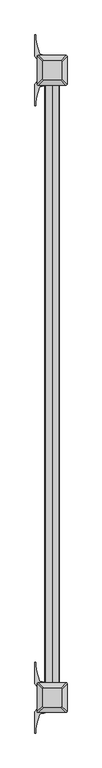
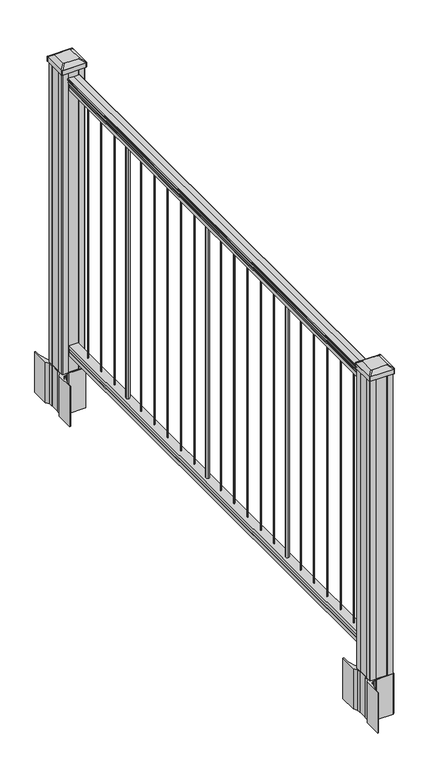
"""IFC4 building model written with IfcOpenShell, lengths in millimetres: railing geometry."""

from ifc_helpers import new_model, si_unit, point, frame, frame_2d, origin, origin_with_axes, place, context, project, spatial, polyline, circle_curve, trimmed, segment, composite_curve, outline, extrude, source, transform, mapped, element, save
from ifc_brep_helpers import plane_surface, extruded_surface, advanced_brep


def railing_1b7a378d(model_context):
    return source(origin(), model_context, "Body", "SolidModel", [
        extrude(outline(composite_curve([segment(polyline([(1090.8043297, 2185.0080205), (1092.692412, 2185.0080205)]), True, "CONTINUOUS"), segment(trimmed(circle_curve(frame_2d((1098.4506383, 2178.6932672)), 8.545951), [point((1092.692412, 2185.0080205))], [point((1094.2546695, 2186.1382068))], False, "CARTESIAN"), True, "CONTINUOUS"), segment(trimmed(circle_curve(frame_2d((1097.8636577, 2179.1303302)), 7.882584), [point((1094.2546695, 2186.1382068))], [point((1101.4726458, 2186.1382068))], False, "CARTESIAN"), True, "CONTINUOUS"), segment(trimmed(circle_curve(frame_2d((1103.7112527, 2189.6436543)), 4.1592695), [point((1101.4726458, 2186.1382068))], [point((1103.9060812, 2185.4889504))], True, "CARTESIAN"), True, "CONTINUOUS"), segment(trimmed(circle_curve(frame_2d((1103.6508864, 2190.9309609)), 5.4479907), [point((1103.9060812, 2185.4889504))], [point((1108.2362083, 2187.9889504))], True, "CARTESIAN"), True, "CONTINUOUS"), segment(trimmed(circle_curve(frame_2d((1108.233395, 2189.6978025)), 1.7088543), [point((1108.2362083, 2187.9889504))], [point((1109.9157972, 2189.3982929))], True, "CARTESIAN"), True, "CONTINUOUS"), segment(trimmed(circle_curve(frame_2d((1111.0205318, 2188.0809024)), 1.7192895), [point((1109.9157972, 2189.3982929))], [point((1111.0205318, 2189.8001919))], False, "CARTESIAN"), True, "CONTINUOUS"), segment(polyline([(1111.0205318, 2189.8001919), (1112.3608158, 2189.8001918)]), True, "CONTINUOUS"), segment(trimmed(circle_curve(frame_2d((1112.3608158, 2188.2467446)), 1.5534472), [point((1112.3608158, 2189.8001918))], [point((1113.914263, 2188.2467446))], False, "CARTESIAN"), True, "CONTINUOUS"), segment(polyline([(1113.914263, 2188.2467446), (1113.914263, 2167.5751918), (1113.914263, 2146.903639)]), True, "CONTINUOUS"), segment(trimmed(circle_curve(frame_2d((1112.3608158, 2146.903639)), 1.5534472), [point((1113.914263, 2146.903639))], [point((1112.3608158, 2145.3501918))], False, "CARTESIAN"), True, "CONTINUOUS"), segment(polyline([(1112.3608158, 2145.3501918), (1111.0205318, 2145.3501918)]), True, "CONTINUOUS"), segment(trimmed(circle_curve(frame_2d((1111.0205318, 2147.0694812)), 1.7192895), [point((1111.0205318, 2145.3501918))], [point((1109.9157972, 2145.7520907))], False, "CARTESIAN"), True, "CONTINUOUS"), segment(trimmed(circle_curve(frame_2d((1108.233395, 2145.4525811)), 1.7088543), [point((1109.9157972, 2145.7520907))], [point((1108.2362083, 2147.1614332))], True, "CARTESIAN"), True, "CONTINUOUS"), segment(trimmed(circle_curve(frame_2d((1103.6508864, 2144.2194227)), 5.4479907), [point((1108.2362083, 2147.1614332))], [point((1103.9060812, 2149.6614332))], True, "CARTESIAN"), True, "CONTINUOUS"), segment(trimmed(circle_curve(frame_2d((1103.7112527, 2145.5067292)), 4.1592695), [point((1103.9060812, 2149.6614332))], [point((1101.4726458, 2149.0121768))], True, "CARTESIAN"), True, "CONTINUOUS"), segment(trimmed(circle_curve(frame_2d((1097.8636577, 2156.0200534)), 7.882584), [point((1101.4726458, 2149.0121768))], [point((1094.2546695, 2149.0121768))], False, "CARTESIAN"), True, "CONTINUOUS"), segment(trimmed(circle_curve(frame_2d((1098.4506383, 2156.4571163)), 8.545951), [point((1094.2546695, 2149.0121768))], [point((1092.692412, 2150.1423631))], False, "CARTESIAN"), True, "CONTINUOUS"), segment(polyline([(1092.692412, 2150.1423631), (1090.8043297, 2150.1423631)]), True, "CONTINUOUS"), segment(trimmed(circle_curve(frame_2d((1090.8043297, 2151.4292774)), 1.2869144), [point((1090.8043297, 2150.1423631))], [point((1090.8043297, 2152.7161918))], False, "CARTESIAN"), True, "CONTINUOUS"), segment(polyline([(1090.8043297, 2152.7161918), (1080.3048283, 2152.7161918), (1079.2888283, 2151.7001918), (1066.8, 2151.7001918), (1066.8, 2183.4501918), (1079.131013, 2183.4501918), (1080.147013, 2182.4341918), (1090.8043297, 2182.4341918)]), True, "CONTINUOUS"), segment(trimmed(circle_curve(frame_2d((1090.8043297, 2183.7211062)), 1.2869144), [point((1090.8043297, 2182.4341918))], [point((1090.8043297, 2185.0080205))], False, "CARTESIAN"), True, "CONTINUOUS")], self_intersect=False)), frame((0.0, -85864.2908968, 0.0), z_axis=(0.0, 1.0, 0.0), x_axis=(0.0, 0.0, 1.0)), (0.0, 0.0, 1.0), 1828.8),
        extrude(outline(polyline([(76.0541976, 2183.4876787), (77.3546183, 2182.4716787), (87.7141717, 2182.4716787), (89.0624492, 2183.4876787), (101.5958781, 2183.4876787), (101.5958781, 2151.7376787), (89.0458024, 2151.7376787), (87.6975248, 2152.7536787), (77.3858283, 2152.7536787), (76.0375508, 2151.7376787), (63.5, 2151.7376787), (63.5, 2183.4876787), (76.0541976, 2183.4876787)])), frame((0.0, -85864.2908968, 0.0), z_axis=(0.0, 1.0, 0.0), x_axis=(0.0, 0.0, 1.0)), (0.0, 0.0, 1.0), 1828.8),
        extrude(outline(composite_curve([segment(trimmed(circle_curve(frame_2d((2167.5751918, -84124.3908968)), 1.5875), [point((2169.1626918, -84124.3908968))], [point((2167.5751918, -84125.9783968))], False, "CARTESIAN"), True, "CONTINUOUS"), segment(trimmed(circle_curve(frame_2d((2167.5751918, -84124.3908968)), 1.5875), [point((2167.5751918, -84125.9783968))], [point((2165.9876918, -84124.3908968))], False, "CARTESIAN"), True, "CONTINUOUS"), segment(trimmed(circle_curve(frame_2d((2167.5751918, -84124.3908968)), 1.5875), [point((2165.9876918, -84124.3908968))], [point((2167.5751918, -84122.8033968))], False, "CARTESIAN"), True, "CONTINUOUS"), segment(trimmed(circle_curve(frame_2d((2167.5751918, -84124.3908968)), 1.5875), [point((2167.5751918, -84122.8033968))], [point((2169.1626918, -84124.3908968))], False, "CARTESIAN"), True, "CONTINUOUS")], self_intersect=False)), frame((0.0, 0.0, 101.5958781), z_axis=(0.0, 0.0, 1.0), x_axis=(1.0, 0.0, 0.0)), (0.0, 0.0, 1.0), 965.2041219),
        extrude(outline(composite_curve([segment(trimmed(circle_curve(frame_2d((2167.5751918, -84206.9408968)), 1.5875), [point((2169.1626918, -84206.9408968))], [point((2167.5751918, -84208.5283968))], False, "CARTESIAN"), True, "CONTINUOUS"), segment(trimmed(circle_curve(frame_2d((2167.5751918, -84206.9408968)), 1.5875), [point((2167.5751918, -84208.5283968))], [point((2165.9876918, -84206.9408968))], False, "CARTESIAN"), True, "CONTINUOUS"), segment(trimmed(circle_curve(frame_2d((2167.5751918, -84206.9408968)), 1.5875), [point((2165.9876918, -84206.9408968))], [point((2167.5751918, -84205.3533968))], False, "CARTESIAN"), True, "CONTINUOUS"), segment(trimmed(circle_curve(frame_2d((2167.5751918, -84206.9408968)), 1.5875), [point((2167.5751918, -84205.3533968))], [point((2169.1626918, -84206.9408968))], False, "CARTESIAN"), True, "CONTINUOUS")], self_intersect=False)), frame((0.0, 0.0, 101.5958781), z_axis=(0.0, 0.0, 1.0), x_axis=(1.0, 0.0, 0.0)), (0.0, 0.0, 1.0), 965.2041219),
        extrude(outline(composite_curve([segment(trimmed(circle_curve(frame_2d((2167.5751918, -84289.4908968)), 1.5875), [point((2169.1626918, -84289.4908968))], [point((2167.5751918, -84291.0783968))], False, "CARTESIAN"), True, "CONTINUOUS"), segment(trimmed(circle_curve(frame_2d((2167.5751918, -84289.4908968)), 1.5875), [point((2167.5751918, -84291.0783968))], [point((2165.9876918, -84289.4908968))], False, "CARTESIAN"), True, "CONTINUOUS"), segment(trimmed(circle_curve(frame_2d((2167.5751918, -84289.4908968)), 1.5875), [point((2165.9876918, -84289.4908968))], [point((2167.5751918, -84287.9033968))], False, "CARTESIAN"), True, "CONTINUOUS"), segment(trimmed(circle_curve(frame_2d((2167.5751918, -84289.4908968)), 1.5875), [point((2167.5751918, -84287.9033968))], [point((2169.1626918, -84289.4908968))], False, "CARTESIAN"), True, "CONTINUOUS")], self_intersect=False)), frame((0.0, 0.0, 101.5958781), z_axis=(0.0, 0.0, 1.0), x_axis=(1.0, 0.0, 0.0)), (0.0, 0.0, 1.0), 965.2041219),
        extrude(outline(composite_curve([segment(trimmed(circle_curve(frame_2d((2167.5751918, -84372.0408968)), 6.35), [point((2173.9251918, -84372.0408968))], [point((2167.5751918, -84378.3908968))], False, "CARTESIAN"), True, "CONTINUOUS"), segment(trimmed(circle_curve(frame_2d((2167.5751918, -84372.0408968)), 6.35), [point((2167.5751918, -84378.3908968))], [point((2161.2251918, -84372.0408968))], False, "CARTESIAN"), True, "CONTINUOUS"), segment(trimmed(circle_curve(frame_2d((2167.5751918, -84372.0408968)), 6.35), [point((2161.2251918, -84372.0408968))], [point((2167.5751918, -84365.6908968))], False, "CARTESIAN"), True, "CONTINUOUS"), segment(trimmed(circle_curve(frame_2d((2167.5751918, -84372.0408968)), 6.35), [point((2167.5751918, -84365.6908968))], [point((2173.9251918, -84372.0408968))], False, "CARTESIAN"), True, "CONTINUOUS")], self_intersect=False)), frame((0.0, 0.0, 101.5958781), z_axis=(0.0, 0.0, 1.0), x_axis=(1.0, 0.0, 0.0)), (0.0, 0.0, 1.0), 965.2041219),
        extrude(outline(composite_curve([segment(trimmed(circle_curve(frame_2d((2167.5751918, -84454.5908968)), 1.5875), [point((2169.1626918, -84454.5908968))], [point((2167.5751918, -84456.1783968))], False, "CARTESIAN"), True, "CONTINUOUS"), segment(trimmed(circle_curve(frame_2d((2167.5751918, -84454.5908968)), 1.5875), [point((2167.5751918, -84456.1783968))], [point((2165.9876918, -84454.5908968))], False, "CARTESIAN"), True, "CONTINUOUS"), segment(trimmed(circle_curve(frame_2d((2167.5751918, -84454.5908968)), 1.5875), [point((2165.9876918, -84454.5908968))], [point((2167.5751918, -84453.0033968))], False, "CARTESIAN"), True, "CONTINUOUS"), segment(trimmed(circle_curve(frame_2d((2167.5751918, -84454.5908968)), 1.5875), [point((2167.5751918, -84453.0033968))], [point((2169.1626918, -84454.5908968))], False, "CARTESIAN"), True, "CONTINUOUS")], self_intersect=False)), frame((0.0, 0.0, 101.5958781), z_axis=(0.0, 0.0, 1.0), x_axis=(1.0, 0.0, 0.0)), (0.0, 0.0, 1.0), 965.2041219),
        extrude(outline(composite_curve([segment(trimmed(circle_curve(frame_2d((2167.5751918, -84537.1408968)), 1.5875), [point((2169.1626918, -84537.1408968))], [point((2167.5751918, -84538.7283968))], False, "CARTESIAN"), True, "CONTINUOUS"), segment(trimmed(circle_curve(frame_2d((2167.5751918, -84537.1408968)), 1.5875), [point((2167.5751918, -84538.7283968))], [point((2165.9876918, -84537.1408968))], False, "CARTESIAN"), True, "CONTINUOUS"), segment(trimmed(circle_curve(frame_2d((2167.5751918, -84537.1408968)), 1.5875), [point((2165.9876918, -84537.1408968))], [point((2167.5751918, -84535.5533968))], False, "CARTESIAN"), True, "CONTINUOUS"), segment(trimmed(circle_curve(frame_2d((2167.5751918, -84537.1408968)), 1.5875), [point((2167.5751918, -84535.5533968))], [point((2169.1626918, -84537.1408968))], False, "CARTESIAN"), True, "CONTINUOUS")], self_intersect=False)), frame((0.0, 0.0, 101.5958781), z_axis=(0.0, 0.0, 1.0), x_axis=(1.0, 0.0, 0.0)), (0.0, 0.0, 1.0), 965.2041219),
        extrude(outline(composite_curve([segment(trimmed(circle_curve(frame_2d((2167.5751918, -84619.6908968)), 1.5875), [point((2169.1626918, -84619.6908968))], [point((2167.5751918, -84621.2783968))], False, "CARTESIAN"), True, "CONTINUOUS"), segment(trimmed(circle_curve(frame_2d((2167.5751918, -84619.6908968)), 1.5875), [point((2167.5751918, -84621.2783968))], [point((2165.9876918, -84619.6908968))], False, "CARTESIAN"), True, "CONTINUOUS"), segment(trimmed(circle_curve(frame_2d((2167.5751918, -84619.6908968)), 1.5875), [point((2165.9876918, -84619.6908968))], [point((2167.5751918, -84618.1033968))], False, "CARTESIAN"), True, "CONTINUOUS"), segment(trimmed(circle_curve(frame_2d((2167.5751918, -84619.6908968)), 1.5875), [point((2167.5751918, -84618.1033968))], [point((2169.1626918, -84619.6908968))], False, "CARTESIAN"), True, "CONTINUOUS")], self_intersect=False)), frame((0.0, 0.0, 101.5958781), z_axis=(0.0, 0.0, 1.0), x_axis=(1.0, 0.0, 0.0)), (0.0, 0.0, 1.0), 965.2041219),
        extrude(outline(composite_curve([segment(trimmed(circle_curve(frame_2d((2167.5751918, -84702.2408968)), 1.5875), [point((2169.1626918, -84702.2408968))], [point((2167.5751918, -84703.8283968))], False, "CARTESIAN"), True, "CONTINUOUS"), segment(trimmed(circle_curve(frame_2d((2167.5751918, -84702.2408968)), 1.5875), [point((2167.5751918, -84703.8283968))], [point((2165.9876918, -84702.2408968))], False, "CARTESIAN"), True, "CONTINUOUS"), segment(trimmed(circle_curve(frame_2d((2167.5751918, -84702.2408968)), 1.5875), [point((2165.9876918, -84702.2408968))], [point((2167.5751918, -84700.6533968))], False, "CARTESIAN"), True, "CONTINUOUS"), segment(trimmed(circle_curve(frame_2d((2167.5751918, -84702.2408968)), 1.5875), [point((2167.5751918, -84700.6533968))], [point((2169.1626918, -84702.2408968))], False, "CARTESIAN"), True, "CONTINUOUS")], self_intersect=False)), frame((0.0, 0.0, 101.5958781), z_axis=(0.0, 0.0, 1.0), x_axis=(1.0, 0.0, 0.0)), (0.0, 0.0, 1.0), 965.2041219),
        extrude(outline(composite_curve([segment(trimmed(circle_curve(frame_2d((2167.5751918, -84784.7908968)), 1.5875), [point((2169.1626918, -84784.7908968))], [point((2167.5751918, -84786.3783968))], False, "CARTESIAN"), True, "CONTINUOUS"), segment(trimmed(circle_curve(frame_2d((2167.5751918, -84784.7908968)), 1.5875), [point((2167.5751918, -84786.3783968))], [point((2165.9876918, -84784.7908968))], False, "CARTESIAN"), True, "CONTINUOUS"), segment(trimmed(circle_curve(frame_2d((2167.5751918, -84784.7908968)), 1.5875), [point((2165.9876918, -84784.7908968))], [point((2167.5751918, -84783.2033968))], False, "CARTESIAN"), True, "CONTINUOUS"), segment(trimmed(circle_curve(frame_2d((2167.5751918, -84784.7908968)), 1.5875), [point((2167.5751918, -84783.2033968))], [point((2169.1626918, -84784.7908968))], False, "CARTESIAN"), True, "CONTINUOUS")], self_intersect=False)), frame((0.0, 0.0, 101.5958781), z_axis=(0.0, 0.0, 1.0), x_axis=(1.0, 0.0, 0.0)), (0.0, 0.0, 1.0), 965.2041219),
        extrude(outline(composite_curve([segment(trimmed(circle_curve(frame_2d((2167.5751918, -84867.3408968)), 6.35), [point((2173.9251918, -84867.3408968))], [point((2167.5751918, -84873.6908968))], False, "CARTESIAN"), True, "CONTINUOUS"), segment(trimmed(circle_curve(frame_2d((2167.5751918, -84867.3408968)), 6.35), [point((2167.5751918, -84873.6908968))], [point((2161.2251918, -84867.3408968))], False, "CARTESIAN"), True, "CONTINUOUS"), segment(trimmed(circle_curve(frame_2d((2167.5751918, -84867.3408968)), 6.35), [point((2161.2251918, -84867.3408968))], [point((2167.5751918, -84860.9908968))], False, "CARTESIAN"), True, "CONTINUOUS"), segment(trimmed(circle_curve(frame_2d((2167.5751918, -84867.3408968)), 6.35), [point((2167.5751918, -84860.9908968))], [point((2173.9251918, -84867.3408968))], False, "CARTESIAN"), True, "CONTINUOUS")], self_intersect=False)), frame((0.0, 0.0, 101.5958781), z_axis=(0.0, 0.0, 1.0), x_axis=(1.0, 0.0, 0.0)), (0.0, 0.0, 1.0), 965.2041219),
        extrude(outline(composite_curve([segment(trimmed(circle_curve(frame_2d((2167.5751918, -84949.8908968)), 1.5875), [point((2169.1626918, -84949.8908968))], [point((2167.5751918, -84951.4783968))], False, "CARTESIAN"), True, "CONTINUOUS"), segment(trimmed(circle_curve(frame_2d((2167.5751918, -84949.8908968)), 1.5875), [point((2167.5751918, -84951.4783968))], [point((2165.9876918, -84949.8908968))], False, "CARTESIAN"), True, "CONTINUOUS"), segment(trimmed(circle_curve(frame_2d((2167.5751918, -84949.8908968)), 1.5875), [point((2165.9876918, -84949.8908968))], [point((2167.5751918, -84948.3033968))], False, "CARTESIAN"), True, "CONTINUOUS"), segment(trimmed(circle_curve(frame_2d((2167.5751918, -84949.8908968)), 1.5875), [point((2167.5751918, -84948.3033968))], [point((2169.1626918, -84949.8908968))], False, "CARTESIAN"), True, "CONTINUOUS")], self_intersect=False)), frame((0.0, 0.0, 101.5958781), z_axis=(0.0, 0.0, 1.0), x_axis=(1.0, 0.0, 0.0)), (0.0, 0.0, 1.0), 965.2041219),
        extrude(outline(composite_curve([segment(trimmed(circle_curve(frame_2d((2167.5751918, -85032.4408968)), 1.5875), [point((2169.1626918, -85032.4408968))], [point((2167.5751918, -85034.0283968))], False, "CARTESIAN"), True, "CONTINUOUS"), segment(trimmed(circle_curve(frame_2d((2167.5751918, -85032.4408968)), 1.5875), [point((2167.5751918, -85034.0283968))], [point((2165.9876918, -85032.4408968))], False, "CARTESIAN"), True, "CONTINUOUS"), segment(trimmed(circle_curve(frame_2d((2167.5751918, -85032.4408968)), 1.5875), [point((2165.9876918, -85032.4408968))], [point((2167.5751918, -85030.8533968))], False, "CARTESIAN"), True, "CONTINUOUS"), segment(trimmed(circle_curve(frame_2d((2167.5751918, -85032.4408968)), 1.5875), [point((2167.5751918, -85030.8533968))], [point((2169.1626918, -85032.4408968))], False, "CARTESIAN"), True, "CONTINUOUS")], self_intersect=False)), frame((0.0, 0.0, 101.5958781), z_axis=(0.0, 0.0, 1.0), x_axis=(1.0, 0.0, 0.0)), (0.0, 0.0, 1.0), 965.2041219),
        extrude(outline(composite_curve([segment(trimmed(circle_curve(frame_2d((2167.5751918, -85114.9908968)), 1.5875), [point((2169.1626918, -85114.9908968))], [point((2167.5751918, -85116.5783968))], False, "CARTESIAN"), True, "CONTINUOUS"), segment(trimmed(circle_curve(frame_2d((2167.5751918, -85114.9908968)), 1.5875), [point((2167.5751918, -85116.5783968))], [point((2165.9876918, -85114.9908968))], False, "CARTESIAN"), True, "CONTINUOUS"), segment(trimmed(circle_curve(frame_2d((2167.5751918, -85114.9908968)), 1.5875), [point((2165.9876918, -85114.9908968))], [point((2167.5751918, -85113.4033968))], False, "CARTESIAN"), True, "CONTINUOUS"), segment(trimmed(circle_curve(frame_2d((2167.5751918, -85114.9908968)), 1.5875), [point((2167.5751918, -85113.4033968))], [point((2169.1626918, -85114.9908968))], False, "CARTESIAN"), True, "CONTINUOUS")], self_intersect=False)), frame((0.0, 0.0, 101.5958781), z_axis=(0.0, 0.0, 1.0), x_axis=(1.0, 0.0, 0.0)), (0.0, 0.0, 1.0), 965.2041219),
        extrude(outline(composite_curve([segment(trimmed(circle_curve(frame_2d((2167.5751918, -85197.5408968)), 1.5875), [point((2169.1626918, -85197.5408968))], [point((2167.5751918, -85199.1283968))], False, "CARTESIAN"), True, "CONTINUOUS"), segment(trimmed(circle_curve(frame_2d((2167.5751918, -85197.5408968)), 1.5875), [point((2167.5751918, -85199.1283968))], [point((2165.9876918, -85197.5408968))], False, "CARTESIAN"), True, "CONTINUOUS"), segment(trimmed(circle_curve(frame_2d((2167.5751918, -85197.5408968)), 1.5875), [point((2165.9876918, -85197.5408968))], [point((2167.5751918, -85195.9533968))], False, "CARTESIAN"), True, "CONTINUOUS"), segment(trimmed(circle_curve(frame_2d((2167.5751918, -85197.5408968)), 1.5875), [point((2167.5751918, -85195.9533968))], [point((2169.1626918, -85197.5408968))], False, "CARTESIAN"), True, "CONTINUOUS")], self_intersect=False)), frame((0.0, 0.0, 101.5958781), z_axis=(0.0, 0.0, 1.0), x_axis=(1.0, 0.0, 0.0)), (0.0, 0.0, 1.0), 965.2041219),
        extrude(outline(composite_curve([segment(trimmed(circle_curve(frame_2d((2167.5751918, -85280.0908968)), 1.5875), [point((2169.1626918, -85280.0908968))], [point((2167.5751918, -85281.6783968))], False, "CARTESIAN"), True, "CONTINUOUS"), segment(trimmed(circle_curve(frame_2d((2167.5751918, -85280.0908968)), 1.5875), [point((2167.5751918, -85281.6783968))], [point((2165.9876918, -85280.0908968))], False, "CARTESIAN"), True, "CONTINUOUS"), segment(trimmed(circle_curve(frame_2d((2167.5751918, -85280.0908968)), 1.5875), [point((2165.9876918, -85280.0908968))], [point((2167.5751918, -85278.5033968))], False, "CARTESIAN"), True, "CONTINUOUS"), segment(trimmed(circle_curve(frame_2d((2167.5751918, -85280.0908968)), 1.5875), [point((2167.5751918, -85278.5033968))], [point((2169.1626918, -85280.0908968))], False, "CARTESIAN"), True, "CONTINUOUS")], self_intersect=False)), frame((0.0, 0.0, 101.5958781), z_axis=(0.0, 0.0, 1.0), x_axis=(1.0, 0.0, 0.0)), (0.0, 0.0, 1.0), 965.2041219),
        extrude(outline(composite_curve([segment(trimmed(circle_curve(frame_2d((2167.5751918, -85362.6408968)), 6.35), [point((2173.9251918, -85362.6408968))], [point((2167.5751918, -85368.9908968))], False, "CARTESIAN"), True, "CONTINUOUS"), segment(trimmed(circle_curve(frame_2d((2167.5751918, -85362.6408968)), 6.35), [point((2167.5751918, -85368.9908968))], [point((2161.2251918, -85362.6408968))], False, "CARTESIAN"), True, "CONTINUOUS"), segment(trimmed(circle_curve(frame_2d((2167.5751918, -85362.6408968)), 6.35), [point((2161.2251918, -85362.6408968))], [point((2167.5751918, -85356.2908968))], False, "CARTESIAN"), True, "CONTINUOUS"), segment(trimmed(circle_curve(frame_2d((2167.5751918, -85362.6408968)), 6.35), [point((2167.5751918, -85356.2908968))], [point((2173.9251918, -85362.6408968))], False, "CARTESIAN"), True, "CONTINUOUS")], self_intersect=False)), frame((0.0, 0.0, 101.5958781), z_axis=(0.0, 0.0, 1.0), x_axis=(1.0, 0.0, 0.0)), (0.0, 0.0, 1.0), 965.2041219),
        extrude(outline(composite_curve([segment(trimmed(circle_curve(frame_2d((2167.5751918, -85445.1908968)), 1.5875), [point((2169.1626918, -85445.1908968))], [point((2167.5751918, -85446.7783968))], False, "CARTESIAN"), True, "CONTINUOUS"), segment(trimmed(circle_curve(frame_2d((2167.5751918, -85445.1908968)), 1.5875), [point((2167.5751918, -85446.7783968))], [point((2165.9876918, -85445.1908968))], False, "CARTESIAN"), True, "CONTINUOUS"), segment(trimmed(circle_curve(frame_2d((2167.5751918, -85445.1908968)), 1.5875), [point((2165.9876918, -85445.1908968))], [point((2167.5751918, -85443.6033968))], False, "CARTESIAN"), True, "CONTINUOUS"), segment(trimmed(circle_curve(frame_2d((2167.5751918, -85445.1908968)), 1.5875), [point((2167.5751918, -85443.6033968))], [point((2169.1626918, -85445.1908968))], False, "CARTESIAN"), True, "CONTINUOUS")], self_intersect=False)), frame((0.0, 0.0, 101.5958781), z_axis=(0.0, 0.0, 1.0), x_axis=(1.0, 0.0, 0.0)), (0.0, 0.0, 1.0), 965.2041219),
        extrude(outline(composite_curve([segment(trimmed(circle_curve(frame_2d((2167.5751918, -85527.7408968)), 1.5875), [point((2169.1626918, -85527.7408968))], [point((2167.5751918, -85529.3283968))], False, "CARTESIAN"), True, "CONTINUOUS"), segment(trimmed(circle_curve(frame_2d((2167.5751918, -85527.7408968)), 1.5875), [point((2167.5751918, -85529.3283968))], [point((2165.9876918, -85527.7408968))], False, "CARTESIAN"), True, "CONTINUOUS"), segment(trimmed(circle_curve(frame_2d((2167.5751918, -85527.7408968)), 1.5875), [point((2165.9876918, -85527.7408968))], [point((2167.5751918, -85526.1533968))], False, "CARTESIAN"), True, "CONTINUOUS"), segment(trimmed(circle_curve(frame_2d((2167.5751918, -85527.7408968)), 1.5875), [point((2167.5751918, -85526.1533968))], [point((2169.1626918, -85527.7408968))], False, "CARTESIAN"), True, "CONTINUOUS")], self_intersect=False)), frame((0.0, 0.0, 101.5958781), z_axis=(0.0, 0.0, 1.0), x_axis=(1.0, 0.0, 0.0)), (0.0, 0.0, 1.0), 965.2041219),
        extrude(outline(composite_curve([segment(trimmed(circle_curve(frame_2d((2167.5751918, -85610.2908968)), 1.5875), [point((2169.1626918, -85610.2908968))], [point((2167.5751918, -85611.8783968))], False, "CARTESIAN"), True, "CONTINUOUS"), segment(trimmed(circle_curve(frame_2d((2167.5751918, -85610.2908968)), 1.5875), [point((2167.5751918, -85611.8783968))], [point((2165.9876918, -85610.2908968))], False, "CARTESIAN"), True, "CONTINUOUS"), segment(trimmed(circle_curve(frame_2d((2167.5751918, -85610.2908968)), 1.5875), [point((2165.9876918, -85610.2908968))], [point((2167.5751918, -85608.7033968))], False, "CARTESIAN"), True, "CONTINUOUS"), segment(trimmed(circle_curve(frame_2d((2167.5751918, -85610.2908968)), 1.5875), [point((2167.5751918, -85608.7033968))], [point((2169.1626918, -85610.2908968))], False, "CARTESIAN"), True, "CONTINUOUS")], self_intersect=False)), frame((0.0, 0.0, 101.5958781), z_axis=(0.0, 0.0, 1.0), x_axis=(1.0, 0.0, 0.0)), (0.0, 0.0, 1.0), 965.2041219),
        extrude(outline(composite_curve([segment(trimmed(circle_curve(frame_2d((2167.5751918, -85692.8408968)), 1.5875), [point((2169.1626918, -85692.8408968))], [point((2167.5751918, -85694.4283968))], False, "CARTESIAN"), True, "CONTINUOUS"), segment(trimmed(circle_curve(frame_2d((2167.5751918, -85692.8408968)), 1.5875), [point((2167.5751918, -85694.4283968))], [point((2165.9876918, -85692.8408968))], False, "CARTESIAN"), True, "CONTINUOUS"), segment(trimmed(circle_curve(frame_2d((2167.5751918, -85692.8408968)), 1.5875), [point((2165.9876918, -85692.8408968))], [point((2167.5751918, -85691.2533968))], False, "CARTESIAN"), True, "CONTINUOUS"), segment(trimmed(circle_curve(frame_2d((2167.5751918, -85692.8408968)), 1.5875), [point((2167.5751918, -85691.2533968))], [point((2169.1626918, -85692.8408968))], False, "CARTESIAN"), True, "CONTINUOUS")], self_intersect=False)), frame((0.0, 0.0, 101.5958781), z_axis=(0.0, 0.0, 1.0), x_axis=(1.0, 0.0, 0.0)), (0.0, 0.0, 1.0), 965.2041219),
        extrude(outline(composite_curve([segment(trimmed(circle_curve(frame_2d((2167.5751918, -85775.3908968)), 1.5875), [point((2169.1626918, -85775.3908968))], [point((2167.5751918, -85776.9783968))], False, "CARTESIAN"), True, "CONTINUOUS"), segment(trimmed(circle_curve(frame_2d((2167.5751918, -85775.3908968)), 1.5875), [point((2167.5751918, -85776.9783968))], [point((2165.9876918, -85775.3908968))], False, "CARTESIAN"), True, "CONTINUOUS"), segment(trimmed(circle_curve(frame_2d((2167.5751918, -85775.3908968)), 1.5875), [point((2165.9876918, -85775.3908968))], [point((2167.5751918, -85773.8033968))], False, "CARTESIAN"), True, "CONTINUOUS"), segment(trimmed(circle_curve(frame_2d((2167.5751918, -85775.3908968)), 1.5875), [point((2167.5751918, -85773.8033968))], [point((2169.1626918, -85775.3908968))], False, "CARTESIAN"), True, "CONTINUOUS")], self_intersect=False)), frame((0.0, 0.0, 101.5958781), z_axis=(0.0, 0.0, 1.0), x_axis=(1.0, 0.0, 0.0)), (0.0, 0.0, 1.0), 965.2041219),
        extrude(outline(composite_curve([segment(polyline([(2210.3106918, -84011.4749917), (2211.8981918, -84012.2369917), (2211.8981918, -84035.0389198), (2208.5252147, -84038.4118968), (2147.0655439, -84038.4118968), (2147.0655439, -84039.3326468), (2141.7480001, -84039.3326468), (2141.7480001, -84040.7869015), (2136.6634704, -84040.7869015), (2136.6634704, -84042.0709253), (2134.9961981, -84042.0709253)]), True, "CONTINUOUS"), segment(trimmed(circle_curve(frame_2d((2134.9961981, -84049.1303852)), 7.0594599), [point((2134.9961981, -84042.0709253))], [point((2128.2289352, -84047.1203785))], True, "CARTESIAN"), True, "CONTINUOUS"), segment(polyline([(2128.2289352, -84047.1203785), (2120.354741, -84073.6311076)]), True, "CONTINUOUS"), segment(trimmed(circle_curve(frame_2d((2175.1392543, -84089.9031573)), 57.15), [point((2120.354741, -84073.6311076))], [point((2117.9892543, -84089.9031573))], True, "CARTESIAN"), True, "CONTINUOUS"), segment(polyline([(2117.9892543, -84089.9031573), (2117.9892543, -84101.9118968), (2114.9892543, -84101.9118968), (2114.9892543, -84036.8243968), (2123.2521918, -84025.4861055), (2123.2521918, -84012.2369917), (2124.8396918, -84011.4749917), (2124.8396918, -83976.702802), (2123.2521918, -83975.940802), (2123.2521918, -83962.6916882), (2114.9892543, -83951.3533968), (2114.9892543, -83886.2658968), (2117.9892543, -83886.2658968), (2117.9892543, -83898.2746364)]), True, "CONTINUOUS"), segment(trimmed(circle_curve(frame_2d((2175.1392543, -83898.2746364)), 57.15), [point((2117.9892543, -83898.2746364))], [point((2120.354741, -83914.546686))], True, "CARTESIAN"), True, "CONTINUOUS"), segment(polyline([(2120.354741, -83914.546686), (2128.2289352, -83941.0574151)]), True, "CONTINUOUS"), segment(trimmed(circle_curve(frame_2d((2134.9961981, -83939.0474085)), 7.0594599), [point((2128.2289352, -83941.0574151))], [point((2134.9961981, -83946.1068683))], True, "CARTESIAN"), True, "CONTINUOUS"), segment(polyline([(2134.9961981, -83946.1068683), (2136.6634704, -83946.1068683), (2136.6634704, -83947.3908921), (2141.7480001, -83947.3908921), (2141.7480001, -83948.8451468), (2147.0655439, -83948.8451468), (2147.0655439, -83949.7658968), (2208.5252147, -83949.7658968), (2211.8981918, -83953.1388739), (2211.8981918, -83975.940802), (2210.3106918, -83976.702802), (2210.3106918, -84011.4749917)]), True, "CONTINUOUS")], self_intersect=False), holes=[polyline([(2126.3001918, -83954.4013968), (2126.3001918, -84033.7763968), (2127.8876918, -84035.3638968), (2164.8119744, -84035.3638968), (2207.2626918, -84035.3638968), (2208.8501918, -84033.7763968), (2208.8501918, -83954.4013968), (2207.2626918, -83952.8138968), (2164.8119744, -83952.8138968), (2127.8876918, -83952.8138968), (2126.3001918, -83954.4013968)])]), frame((0.0, 0.0, -152.4), z_axis=(0.0, 0.0, 1.0), x_axis=(1.0, 0.0, 0.0)), (0.0, 0.0, 1.0), 152.4),
        advanced_brep(
        [(2141.7783168, -84023.0607718, 1165.225), (2193.3720668, -84023.0607718, 1165.225), (2196.5470668, -84019.8857718, 1165.225), (2196.5470668, -83968.2920218, 1165.225), (2193.3720668, -83965.1170218, 1165.225), (2141.7783168, -83965.1170218, 1165.225), (2138.6033168, -83968.2920218, 1165.225), (2138.6033168, -84019.8857718, 1165.225), (2125.5064418, -84039.3326468, 1153.922), (2122.3314418, -84036.1576468, 1153.922), (2122.3314418, -83952.0201468, 1153.922), (2125.5064418, -83948.8451468, 1153.922), (2209.6439418, -83948.8451468, 1153.922), (2212.8189418, -83952.0201468, 1153.922), (2212.8189418, -84036.1576468, 1153.922), (2209.6439418, -84039.3326468, 1153.922)],
        [
            (0, 1),
            (1, 2, circle_curve(frame((2193.3720668, -84019.8857718, 1165.225), z_axis=(0.0, 0.0, 1.0), x_axis=(0.0, 1.0, 0.0)), 3.175)),
            (2, 3),
            (3, 4, circle_curve(frame((2193.3720668, -83968.2920218, 1165.225), z_axis=(0.0, 0.0, 1.0), x_axis=(0.0, 1.0, 0.0)), 3.175)),
            (4, 5),
            (5, 6, circle_curve(frame((2141.7783168, -83968.2920218, 1165.225), z_axis=(0.0, 0.0, 1.0), x_axis=(0.0, 1.0, 0.0)), 3.175)),
            (6, 7),
            (7, 0, circle_curve(frame((2141.7783168, -84019.8857718, 1165.225), z_axis=(0.0, 0.0, 1.0), x_axis=(0.0, 1.0, 0.0)), 3.175)),
            (8, 9, circle_curve(frame((2125.5064418, -84036.1576468, 1153.922), z_axis=(0.0, 0.0, -1.0), x_axis=(0.0, 1.0, 0.0)), 3.175)),
            (9, 10),
            (10, 11, circle_curve(frame((2125.5064418, -83952.0201468, 1153.922), z_axis=(0.0, 0.0, -1.0), x_axis=(0.0, 1.0, 0.0)), 3.175)),
            (11, 12),
            (12, 13, circle_curve(frame((2209.6439418, -83952.0201468, 1153.922), z_axis=(0.0, 0.0, -1.0), x_axis=(0.0, 1.0, 0.0)), 3.175)),
            (13, 14),
            (14, 15, circle_curve(frame((2209.6439418, -84036.1576468, 1153.922), z_axis=(0.0, 0.0, -1.0), x_axis=(0.0, 1.0, 0.0)), 3.175)),
            (15, 8),
            (8, 0),
            (7, 9),
            (6, 10),
            (5, 11),
            (4, 12),
            (3, 13),
            (2, 14),
            (1, 15),
        ],
        [
            plane_surface(frame((2167.5751918, -83994.0888968, 1165.225), z_axis=(0.0, 0.0, 1.0), x_axis=(-1.0, 0.0, 0.0))),
            plane_surface(frame((2167.5751918, -83994.0888968, 1153.922), z_axis=(0.0, 0.0, -1.0), x_axis=(-1.0, 0.0, 0.0))),
            extruded_surface(trimmed(circle_curve(frame((2141.7783168, -84019.8857718, 1165.225), z_axis=(0.0, 0.0, -1.0), x_axis=(0.0, 1.0, 0.0)), 3.175), [point((2141.7783168, -84023.0607718, 1165.225))], [point((2138.6033168, -84019.8857718, 1165.225))], True, "CARTESIAN"), (-16.27187499999991, -16.27187499999127, -11.302999999999884), 25.63797263886051),
            plane_surface(frame((2122.3314418, -83994.0888968, 1153.922), z_axis=(-0.5705009161540777, 0.0, 0.8212969649690409), x_axis=(0.0, 1.0, 0.0))),
            extruded_surface(trimmed(circle_curve(frame((2141.7783168, -83968.2920218, 1165.225), z_axis=(0.0, 0.0, -1.0), x_axis=(0.0, 1.0, 0.0)), 3.175), [point((2138.6033168, -83968.2920218, 1165.225))], [point((2141.7783168, -83965.1170218, 1165.225))], True, "CARTESIAN"), (-16.27187499999991, 16.27187500000582, -11.302999999999884), 25.637972638869748),
            plane_surface(frame((2167.5751918, -83948.8451468, 1153.922), z_axis=(0.0, 0.5705009161540291, 0.8212969649690747), x_axis=(1.0, 0.0, 0.0))),
            extruded_surface(trimmed(circle_curve(frame((2193.3720668, -83968.2920218, 1165.225), z_axis=(0.0, 0.0, -1.0), x_axis=(0.0, 1.0, 0.0)), 3.175), [point((2193.3720668, -83965.1170218, 1165.225))], [point((2196.5470668, -83968.2920218, 1165.225))], True, "CARTESIAN"), (16.27187499999991, 16.27187500000582, -11.302999999999884), 25.637972638869748),
            plane_surface(frame((2212.8189418, -83994.0888968, 1153.922), z_axis=(0.5705009161540143, 0.0, 0.821296964969085), x_axis=(0.0, -1.0, 0.0))),
            extruded_surface(trimmed(circle_curve(frame((2193.3720668, -84019.8857718, 1165.225), z_axis=(0.0, 0.0, -1.0), x_axis=(0.0, 1.0, 0.0)), 3.175), [point((2196.5470668, -84019.8857718, 1165.225))], [point((2193.3720668, -84023.0607718, 1165.225))], True, "CARTESIAN"), (16.27187499999991, -16.27187499999127, -11.302999999999884), 25.63797263886051),
            plane_surface(frame((2167.5751918, -84039.3326468, 1153.922), z_axis=(0.0, -0.570500916154034, 0.8212969649690713), x_axis=(-1.0, 0.0, 0.0))),
        ],
        [
            (0, [[1, 2, 3, 4, 5, 6, 7, 8]]),
            (1, [[9, 10, 11, 12, 13, 14, 15, 16]]),
            (2, [[17, -8, 18, -9]]),
            (3, [[-18, -7, 19, -10]]),
            (4, [[-19, -6, 20, -11]]),
            (5, [[-20, -5, 21, -12]]),
            (6, [[-21, -4, 22, -13]]),
            (7, [[-22, -3, 23, -14]]),
            (8, [[-23, -2, 24, -15]]),
            (9, [[-24, -1, -17, -16]]),
        ],
    ),
        extrude(outline(composite_curve([segment(trimmed(circle_curve(frame_2d((2125.5064418, -84036.1576468)), 3.175), [point((2125.5064418, -84039.3326468))], [point((2122.3314418, -84036.1576468))], False, "CARTESIAN"), True, "CONTINUOUS"), segment(polyline([(2122.3314418, -84036.1576468), (2122.3314418, -83952.0201468)]), True, "CONTINUOUS"), segment(trimmed(circle_curve(frame_2d((2125.5064418, -83952.0201468)), 3.175), [point((2122.3314418, -83952.0201468))], [point((2125.5064418, -83948.8451468))], False, "CARTESIAN"), True, "CONTINUOUS"), segment(polyline([(2125.5064418, -83948.8451468), (2209.6439418, -83948.8451468)]), True, "CONTINUOUS"), segment(trimmed(circle_curve(frame_2d((2209.6439418, -83952.0201468)), 3.175), [point((2209.6439418, -83948.8451468))], [point((2212.8189418, -83952.0201468))], False, "CARTESIAN"), True, "CONTINUOUS"), segment(polyline([(2212.8189418, -83952.0201468), (2212.8189418, -84036.1576468)]), True, "CONTINUOUS"), segment(trimmed(circle_curve(frame_2d((2209.6439418, -84036.1576468)), 3.175), [point((2212.8189418, -84036.1576468))], [point((2209.6439418, -84039.3326468))], False, "CARTESIAN"), True, "CONTINUOUS"), segment(polyline([(2209.6439418, -84039.3326468), (2125.5064418, -84039.3326468)]), True, "CONTINUOUS")], self_intersect=False)), frame((0.0, 0.0, 1136.65), z_axis=(0.0, 0.0, 1.0), x_axis=(1.0, 0.0, 0.0)), (0.0, 0.0, 1.0), 17.272),
        extrude(outline(polyline([(2127.8876918, -84035.3638968), (2126.3001918, -84033.7763968), (2126.3001918, -84014.1548968), (2127.8876918, -84013.3928968), (2127.8876918, -83974.7848968), (2126.3001918, -83974.0228968), (2126.3001918, -83954.4013968), (2127.8876918, -83952.8138968), (2147.5091918, -83952.8138968), (2148.2711918, -83954.4013968), (2186.8791918, -83954.4013968), (2187.6411918, -83952.8138968), (2207.2626918, -83952.8138968), (2208.8501918, -83954.4013968), (2208.8501918, -83974.0228968), (2207.2626918, -83974.7848968), (2207.2626918, -84013.3928968), (2208.8501918, -84014.1548968), (2208.8501918, -84033.7763968), (2207.2626918, -84035.3638968), (2187.6411918, -84035.3638968), (2186.8791918, -84033.7763968), (2148.2711918, -84033.7763968), (2147.5091918, -84035.3638968), (2127.8876918, -84035.3638968)])), origin_with_axes(), (0.0, 0.0, 1.0), 1136.65),
        extrude(outline(composite_curve([segment(polyline([(2210.3106918, -85923.0789917), (2211.8981918, -85923.8409917), (2211.8981918, -85946.6429198), (2208.5252147, -85950.0158968), (2147.0655439, -85950.0158968), (2147.0655439, -85950.9366468), (2141.7480001, -85950.9366468), (2141.7480001, -85952.3909015), (2136.6634704, -85952.3909015), (2136.6634704, -85953.6749253), (2134.9961981, -85953.6749253)]), True, "CONTINUOUS"), segment(trimmed(circle_curve(frame_2d((2134.9961981, -85960.7343852)), 7.0594599), [point((2134.9961981, -85953.6749253))], [point((2128.2289352, -85958.7243785))], True, "CARTESIAN"), True, "CONTINUOUS"), segment(polyline([(2128.2289352, -85958.7243785), (2120.354741, -85985.2351076)]), True, "CONTINUOUS"), segment(trimmed(circle_curve(frame_2d((2175.1392543, -86001.5071573)), 57.15), [point((2120.354741, -85985.2351076))], [point((2117.9892543, -86001.5071573))], True, "CARTESIAN"), True, "CONTINUOUS"), segment(polyline([(2117.9892543, -86001.5071573), (2117.9892543, -86013.5158968), (2114.9892543, -86013.5158968), (2114.9892543, -85948.4283968), (2123.2521918, -85937.0901055), (2123.2521918, -85923.8409917), (2124.8396918, -85923.0789917), (2124.8396918, -85888.306802), (2123.2521918, -85887.544802), (2123.2521918, -85874.2956882), (2114.9892543, -85862.9573968), (2114.9892543, -85797.8698968), (2117.9892543, -85797.8698968), (2117.9892543, -85809.8786364)]), True, "CONTINUOUS"), segment(trimmed(circle_curve(frame_2d((2175.1392543, -85809.8786364)), 57.15), [point((2117.9892543, -85809.8786364))], [point((2120.354741, -85826.150686))], True, "CARTESIAN"), True, "CONTINUOUS"), segment(polyline([(2120.354741, -85826.150686), (2128.2289352, -85852.6614151)]), True, "CONTINUOUS"), segment(trimmed(circle_curve(frame_2d((2134.9961981, -85850.6514085)), 7.0594599), [point((2128.2289352, -85852.6614151))], [point((2134.9961981, -85857.7108683))], True, "CARTESIAN"), True, "CONTINUOUS"), segment(polyline([(2134.9961981, -85857.7108683), (2136.6634704, -85857.7108683), (2136.6634704, -85858.9948921), (2141.7480001, -85858.9948921), (2141.7480001, -85860.4491468), (2147.0655439, -85860.4491468), (2147.0655439, -85861.3698968), (2208.5252147, -85861.3698968), (2211.8981918, -85864.7428739), (2211.8981918, -85887.544802), (2210.3106918, -85888.306802), (2210.3106918, -85923.0789917)]), True, "CONTINUOUS")], self_intersect=False), holes=[polyline([(2126.3001918, -85866.0053968), (2126.3001918, -85945.3803968), (2127.8876918, -85946.9678968), (2164.8119744, -85946.9678968), (2207.2626918, -85946.9678968), (2208.8501918, -85945.3803968), (2208.8501918, -85866.0053968), (2207.2626918, -85864.4178968), (2164.8119744, -85864.4178968), (2127.8876918, -85864.4178968), (2126.3001918, -85866.0053968)])]), frame((0.0, 0.0, -152.4), z_axis=(0.0, 0.0, 1.0), x_axis=(1.0, 0.0, 0.0)), (0.0, 0.0, 1.0), 152.4),
        advanced_brep(
        [(2141.7783168, -85934.6647718, 1165.225), (2193.3720668, -85934.6647718, 1165.225), (2196.5470668, -85931.4897718, 1165.225), (2196.5470668, -85879.8960218, 1165.225), (2193.3720668, -85876.7210218, 1165.225), (2141.7783168, -85876.7210218, 1165.225), (2138.6033168, -85879.8960218, 1165.225), (2138.6033168, -85931.4897718, 1165.225), (2125.5064418, -85950.9366468, 1153.922), (2122.3314418, -85947.7616468, 1153.922), (2122.3314418, -85863.6241468, 1153.922), (2125.5064418, -85860.4491468, 1153.922), (2209.6439418, -85860.4491468, 1153.922), (2212.8189418, -85863.6241468, 1153.922), (2212.8189418, -85947.7616468, 1153.922), (2209.6439418, -85950.9366468, 1153.922)],
        [
            (0, 1),
            (1, 2, circle_curve(frame((2193.3720668, -85931.4897718, 1165.225), z_axis=(0.0, 0.0, 1.0), x_axis=(0.0, 1.0, 0.0)), 3.175)),
            (2, 3),
            (3, 4, circle_curve(frame((2193.3720668, -85879.8960218, 1165.225), z_axis=(0.0, 0.0, 1.0), x_axis=(0.0, 1.0, 0.0)), 3.175)),
            (4, 5),
            (5, 6, circle_curve(frame((2141.7783168, -85879.8960218, 1165.225), z_axis=(0.0, 0.0, 1.0), x_axis=(0.0, 1.0, 0.0)), 3.175)),
            (6, 7),
            (7, 0, circle_curve(frame((2141.7783168, -85931.4897718, 1165.225), z_axis=(0.0, 0.0, 1.0), x_axis=(0.0, 1.0, 0.0)), 3.175)),
            (8, 9, circle_curve(frame((2125.5064418, -85947.7616468, 1153.922), z_axis=(0.0, 0.0, -1.0), x_axis=(0.0, 1.0, 0.0)), 3.175)),
            (9, 10),
            (10, 11, circle_curve(frame((2125.5064418, -85863.6241468, 1153.922), z_axis=(0.0, 0.0, -1.0), x_axis=(0.0, 1.0, 0.0)), 3.175)),
            (11, 12),
            (12, 13, circle_curve(frame((2209.6439418, -85863.6241468, 1153.922), z_axis=(0.0, 0.0, -1.0), x_axis=(0.0, 1.0, 0.0)), 3.175)),
            (13, 14),
            (14, 15, circle_curve(frame((2209.6439418, -85947.7616468, 1153.922), z_axis=(0.0, 0.0, -1.0), x_axis=(0.0, 1.0, 0.0)), 3.175)),
            (15, 8),
            (8, 0),
            (7, 9),
            (6, 10),
            (5, 11),
            (4, 12),
            (3, 13),
            (2, 14),
            (1, 15),
        ],
        [
            plane_surface(frame((2167.5751918, -85905.6928968, 1165.225), z_axis=(0.0, 0.0, 1.0), x_axis=(-1.0, 0.0, 0.0))),
            plane_surface(frame((2167.5751918, -85905.6928968, 1153.922), z_axis=(0.0, 0.0, -1.0), x_axis=(-1.0, 0.0, 0.0))),
            extruded_surface(trimmed(circle_curve(frame((2141.7783168, -85931.4897718, 1165.225), z_axis=(0.0, 0.0, -1.0), x_axis=(0.0, 1.0, 0.0)), 3.175), [point((2141.7783168, -85934.6647718, 1165.225))], [point((2138.6033168, -85931.4897718, 1165.225))], True, "CARTESIAN"), (-16.27187499999991, -16.27187500000582, -11.302999999999884), 25.637972638869748),
            plane_surface(frame((2122.3314418, -85905.6928968, 1153.922), z_axis=(-0.5705009161540777, 0.0, 0.8212969649690409), x_axis=(0.0, 1.0, 0.0))),
            extruded_surface(trimmed(circle_curve(frame((2141.7783168, -85879.8960218, 1165.225), z_axis=(0.0, 0.0, -1.0), x_axis=(0.0, 1.0, 0.0)), 3.175), [point((2138.6033168, -85879.8960218, 1165.225))], [point((2141.7783168, -85876.7210218, 1165.225))], True, "CARTESIAN"), (-16.27187499999991, 16.27187500000582, -11.302999999999884), 25.637972638869748),
            plane_surface(frame((2167.5751918, -85860.4491468, 1153.922), z_axis=(0.0, 0.5705009161540291, 0.8212969649690747), x_axis=(1.0, 0.0, 0.0))),
            extruded_surface(trimmed(circle_curve(frame((2193.3720668, -85879.8960218, 1165.225), z_axis=(0.0, 0.0, -1.0), x_axis=(0.0, 1.0, 0.0)), 3.175), [point((2193.3720668, -85876.7210218, 1165.225))], [point((2196.5470668, -85879.8960218, 1165.225))], True, "CARTESIAN"), (16.27187499999991, 16.27187500000582, -11.302999999999884), 25.637972638869748),
            plane_surface(frame((2212.8189418, -85905.6928968, 1153.922), z_axis=(0.5705009161540143, 0.0, 0.821296964969085), x_axis=(0.0, -1.0, 0.0))),
            extruded_surface(trimmed(circle_curve(frame((2193.3720668, -85931.4897718, 1165.225), z_axis=(0.0, 0.0, -1.0), x_axis=(0.0, 1.0, 0.0)), 3.175), [point((2196.5470668, -85931.4897718, 1165.225))], [point((2193.3720668, -85934.6647718, 1165.225))], True, "CARTESIAN"), (16.27187499999991, -16.27187500000582, -11.302999999999884), 25.637972638869748),
            plane_surface(frame((2167.5751918, -85950.9366468, 1153.922), z_axis=(0.0, -0.570500916154034, 0.8212969649690713), x_axis=(-1.0, 0.0, 0.0))),
        ],
        [
            (0, [[1, 2, 3, 4, 5, 6, 7, 8]]),
            (1, [[9, 10, 11, 12, 13, 14, 15, 16]]),
            (2, [[17, -8, 18, -9]]),
            (3, [[-18, -7, 19, -10]]),
            (4, [[-19, -6, 20, -11]]),
            (5, [[-20, -5, 21, -12]]),
            (6, [[-21, -4, 22, -13]]),
            (7, [[-22, -3, 23, -14]]),
            (8, [[-23, -2, 24, -15]]),
            (9, [[-24, -1, -17, -16]]),
        ],
    ),
        extrude(outline(composite_curve([segment(trimmed(circle_curve(frame_2d((2125.5064418, -85947.7616468)), 3.175), [point((2125.5064418, -85950.9366468))], [point((2122.3314418, -85947.7616468))], False, "CARTESIAN"), True, "CONTINUOUS"), segment(polyline([(2122.3314418, -85947.7616468), (2122.3314418, -85863.6241468)]), True, "CONTINUOUS"), segment(trimmed(circle_curve(frame_2d((2125.5064418, -85863.6241468)), 3.175), [point((2122.3314418, -85863.6241468))], [point((2125.5064418, -85860.4491468))], False, "CARTESIAN"), True, "CONTINUOUS"), segment(polyline([(2125.5064418, -85860.4491468), (2209.6439418, -85860.4491468)]), True, "CONTINUOUS"), segment(trimmed(circle_curve(frame_2d((2209.6439418, -85863.6241468)), 3.175), [point((2209.6439418, -85860.4491468))], [point((2212.8189418, -85863.6241468))], False, "CARTESIAN"), True, "CONTINUOUS"), segment(polyline([(2212.8189418, -85863.6241468), (2212.8189418, -85947.7616468)]), True, "CONTINUOUS"), segment(trimmed(circle_curve(frame_2d((2209.6439418, -85947.7616468)), 3.175), [point((2212.8189418, -85947.7616468))], [point((2209.6439418, -85950.9366468))], False, "CARTESIAN"), True, "CONTINUOUS"), segment(polyline([(2209.6439418, -85950.9366468), (2125.5064418, -85950.9366468)]), True, "CONTINUOUS")], self_intersect=False)), frame((0.0, 0.0, 1136.65), z_axis=(0.0, 0.0, 1.0), x_axis=(1.0, 0.0, 0.0)), (0.0, 0.0, 1.0), 17.272),
        extrude(outline(polyline([(2127.8876918, -85946.9678968), (2126.3001918, -85945.3803968), (2126.3001918, -85925.7588968), (2127.8876918, -85924.9968968), (2127.8876918, -85886.3888968), (2126.3001918, -85885.6268968), (2126.3001918, -85866.0053968), (2127.8876918, -85864.4178968), (2147.5091918, -85864.4178968), (2148.2711918, -85866.0053968), (2186.8791918, -85866.0053968), (2187.6411918, -85864.4178968), (2207.2626918, -85864.4178968), (2208.8501918, -85866.0053968), (2208.8501918, -85885.6268968), (2207.2626918, -85886.3888968), (2207.2626918, -85924.9968968), (2208.8501918, -85925.7588968), (2208.8501918, -85945.3803968), (2207.2626918, -85946.9678968), (2187.6411918, -85946.9678968), (2186.8791918, -85945.3803968), (2148.2711918, -85945.3803968), (2147.5091918, -85946.9678968), (2127.8876918, -85946.9678968)])), origin_with_axes(), (0.0, 0.0, 1.0), 1136.65),
    ])


if __name__ == "__main__":
    model = new_model("IFC4")
    model_context = context("Model", 3, world=origin())
    ifc_project = project(units=[si_unit("LENGTHUNIT", "METRE", prefix="MILLI")], contexts=[model_context])
    site = spatial("IfcSite", under=ifc_project)
    building = spatial("IfcBuilding", under=site)
    placement = place(None, origin())
    railing_shape = railing_1b7a378d(model_context)
    element("IfcRailing", 1, at=placement, inside=building, context=model_context, shape_type="MappedRepresentation", body=[
        mapped(railing_shape, transform((0.0, 0.0, 0.0), x_axis=(1.0, 0.0, 0.0), y_axis=(0.0, 1.0, 0.0), z_axis=(0.0, 0.0, 1.0))),
    ])
    save(model, "model.ifc")
